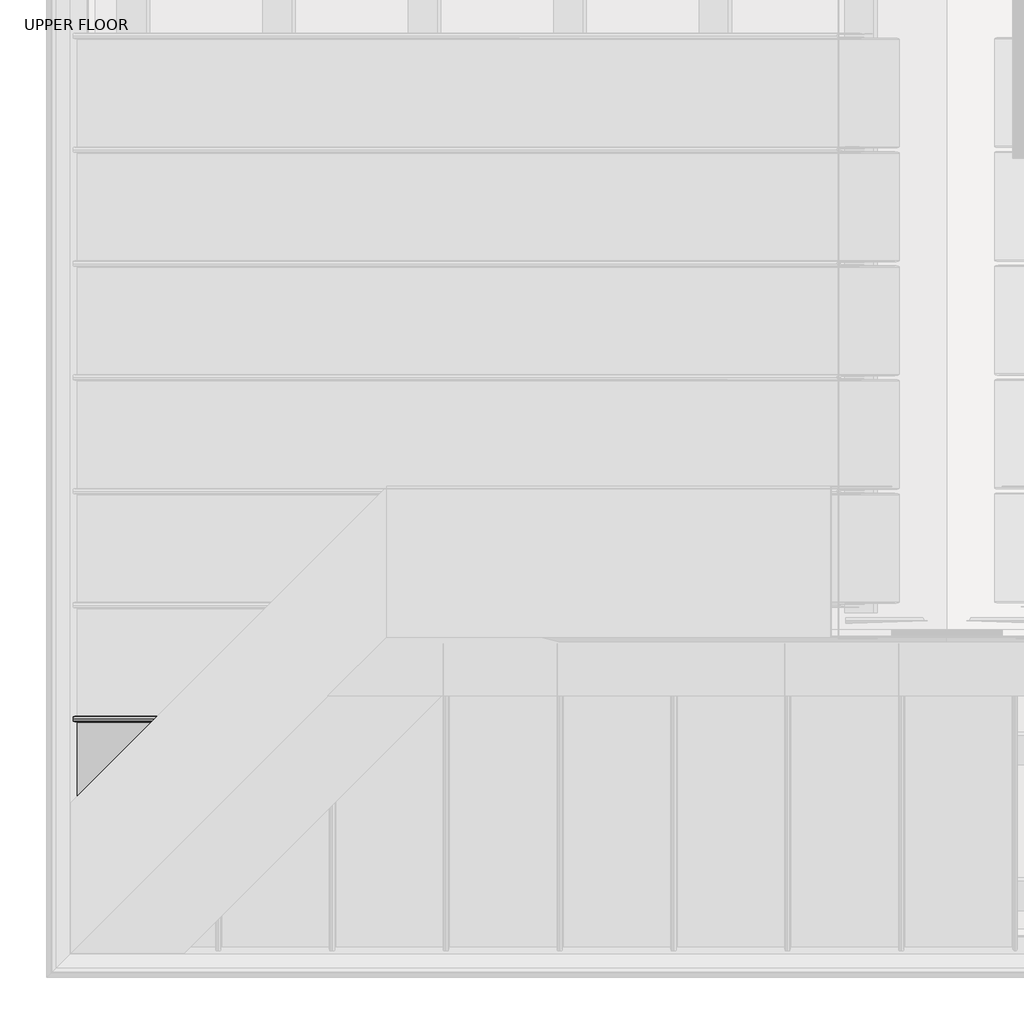
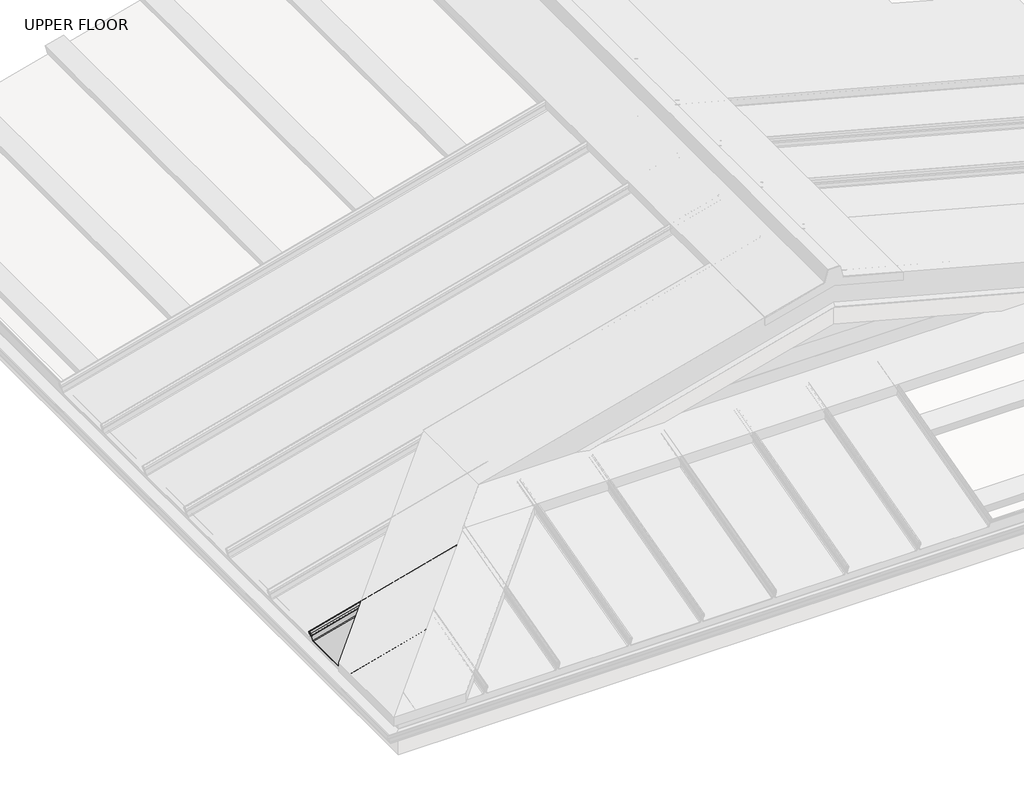
# One storey, part 3 of 15: 1 beam.
"""IFC4 building model written with IfcOpenShell, lengths in millimetres."""

from ifc_helpers import new_model, si_unit, frame, origin, place, context, project, spatial, polyline, circle_curve, ellipse_curve, element, save
from ifc_brep_helpers import plane_surface, cylinder_surface, revolved_surface, advanced_brep

model = new_model("IFC4")

# Units and contexts
model_context = context("Model", 3, world=origin())
ifc_project = project(units=[si_unit("LENGTHUNIT", "METRE", prefix="MILLI")], contexts=[model_context])

# Site, building, storey
site = spatial("IfcSite", under=ifc_project)
building = spatial("IfcBuilding", under=site)
storey = spatial("IfcBuildingStorey", under=building, Name="UPPER FLOOR", Elevation=2700.0)

# Beam
placement = place(None, origin())
element("IfcBeam", 1, at=placement, inside=storey, context=model_context, shape_type="AdvancedBrep", body=[
    advanced_brep(
    [(-607.9827003, -4329.5458802, 3283.1110853), (-608.959892, -4325.0118549, 3286.7580143), (-608.0179657, -4320.5050404, 3283.2426974), (-605.0780565, -4318.0580409, 3272.2708068), (-604.4428112, -4319.7167003, 3269.9000391), (-603.9999614, -4320.8858651, 3268.2473012), (-597.9410875, -4319.3953435, 3245.635276), (-597.0443074, -4315.7008918, 3242.288447), (-597.0443074, -3995.451939, 3242.288447), (-597.9421314, -3991.7591616, 3245.6391719), (-604.0202378, -3990.2896584, 3268.3229737), (-604.2618241, -3990.917586, 3269.2245862), (-605.0553094, -3993.1292239, 3272.1859135), (-607.9480012, -3992.2456851, 3282.9815864), (-609.6770884, -3985.0160332, 3289.4346277), (-607.9480012, -3977.7863812, 3282.9815864), (-605.0553094, -3976.9028424, 3272.1859135), (-604.2618241, -3979.1144803, 3269.2245862), (-604.0202378, -3979.7424079, 3268.3229737), (-602.4000425, -3979.3506935, 3262.2763228), (-602.4000425, -3980.3526494, 3262.2763228), (-604.0851521, -3980.7600582, 3268.5652372), (-604.5130996, -3979.3546422, 3270.1623589), (-605.0349125, -3977.9002216, 3272.1097914), (-607.9477448, -3978.789912, 3282.9806296), (-609.4182694, -3985.0160332, 3288.4687019), (-607.9272965, -3991.2488892, 3282.9043154), (-605.0142361, -3992.1364879, 3272.0326261), (-604.5130996, -3990.6774241, 3270.1623589), (-604.0851521, -3989.2720082, 3268.5652372), (-597.9259675, -3990.7611137, 3245.5788475), (-596.7854883, -3995.451939, 3241.3225212), (-596.7854883, -4315.7006467, 3241.3225212), (-597.9246415, -4320.3933226, 3245.5738987), (-603.9843809, -4321.8840571, 3268.189154), (-604.6926683, -4319.9804763, 3270.8325187), (-605.0334166, -4319.043833, 3272.1042086), (-607.9333114, -4321.4595181, 3282.9267634), (-608.7013281, -4325.0223638, 3285.7930406), (-608.029514, -4328.496358, 3283.2857963), (-605.1545545, -4330.5236089, 3272.5563014), (-605.2021914, -4331.5234688, 3272.7340846), (-263.3751214, -4331.5234688, 3364.326372), (-261.3975328, -4329.5458802, 3375.978301), (-262.3752614, -4330.5236089, 3364.4037361), (-260.3480106, -4328.496358, 3376.4467744), (-256.8740164, -4325.0223638, 3380.0648847), (-253.3111707, -4321.4595181, 3377.9474796), (-250.8954856, -4319.043833, 3366.9951812), (-251.8321289, -4319.9804763, 3365.3812153), (-253.7357097, -4321.8840571, 3362.0380026), (-252.2449752, -4320.3933226, 3338.1984862), (-247.5522993, -4315.7006467, 3334.8992722), (72.6964084, -3995.451939, 3420.7096548), (77.3872337, -3990.7611137, 3426.5284744), (78.8763392, -3989.2720082, 3451.5642172), (77.4709233, -3990.6774241, 3452.8994271), (76.0118595, -3992.1364879, 3454.5130185), (76.8994582, -3991.2488892, 3466.4030913), (83.1323143, -3985.0160332, 3474.0370715), (89.3584354, -3978.789912, 3469.8232574), (90.2481258, -3977.9002216, 3458.41032), (88.7937052, -3979.3546422, 3455.9333574), (87.3882893, -3980.7600582, 3453.8449874), (87.7956981, -3980.3526494, 3447.2137141), (88.7976539, -3979.3506935, 3447.4821874), (88.4059395, -3979.7424079, 3453.8580087), (89.0338671, -3979.1144803, 3454.9926068), (91.2454821, -3976.9017133, 3458.7592398), (90.3619662, -3977.7863812, 3470.0931783), (83.1323143, -3985.0160332, 3475.0723477), (75.9026623, -3992.2456851, 3466.2188194), (75.0191235, -3993.1292239, 3454.4113086), (77.2307614, -3990.917586, 3451.8299741), (77.858689, -3990.2896584, 3451.0318815), (76.3891858, -3991.7591616, 3426.3257038), (72.6964084, -3995.451939, 3421.7449309), (-247.5525444, -4315.7008918, 3335.9344827), (-251.2469961, -4319.3953435, 3338.5316779), (-252.7375177, -4320.8858651, 3362.3677893), (-251.5683528, -4319.7167003, 3364.4524652), (-249.9096935, -4318.0580409, 3367.4378829), (-252.3566929, -4320.5050404, 3378.5418482), (-256.8635074, -4325.0118549, 3381.1019562)],
    [
        (0, 1, circle_curve(frame((-607.7666833, -4325.0118549, 3282.3048986), z_axis=(-0.9659258262890683, 0.0, -0.2588190451025208), x_axis=(0.0, -1.0, 0.0)), 4.6102046)),
        (1, 2, circle_curve(frame((-607.7666833, -4325.0118549, 3282.3048986), z_axis=(-0.9659258262890683, 0.0, -0.2588190451025208), x_axis=(-0.25301467748856765, -0.21059384440200749, 0.9442636314479866)), 4.6102046)),
        (2, 3),
        (3, 4, circle_curve(frame((-605.0323908, -4320.4422333, 3272.1003803), z_axis=(-0.9659258262890683, 0.0, -0.2588190451025208), x_axis=(-0.07854637762029207, 0.9528378408797886, 0.2931390720294263)), 2.3907121)),
        (4, 5, circle_curve(frame((-604.0276476, -4319.2058026, 3268.3506277), z_axis=(0.9659258262890683, 0.0, 0.2588190451025208), x_axis=(-0.2582960069428539, -0.06354246328301995, 0.9639738213028937)), 1.6834645)),
        (5, 6),
        (6, 7, circle_curve(frame((-598.0019377, -4315.7028207, 3245.8623721), z_axis=(0.9659258262890683, 0.0, 0.2588190451025208), x_axis=(0.00013492947898731834, -0.9999998641088232, -0.0005035636710250431)), 3.7)),
        (7, 8),
        (8, 9, circle_curve(frame((-598.0019378, -3995.451939, 3245.8623726), z_axis=(0.9659258262890683, 0.0, 0.2588190451025208), x_axis=(0.25831381397014586, -0.06245250868722404, -0.9640402780334799)), 3.7)),
        (9, 10),
        (10, 11, circle_curve(frame((-604.0351695, -3991.2116283, 3268.3786998), z_axis=(0.9659258262890683, 0.0, 0.2588190451025208), x_axis=(0.08238356974987254, 0.9479881328261023, -0.3074596680154134)), 0.9237732)),
        (11, 12, circle_curve(frame((-604.9957354, -3990.2175637, 3271.9635804), z_axis=(-0.9659258262890683, 0.0, -0.2588190451025208), x_axis=(0.25801408229683115, -0.0788073724391675, -0.9629216642000317)), 2.9207441)),
        (12, 13),
        (13, 14, circle_curve(frame((-607.800079, -3985.0160332, 3282.4295333), z_axis=(-0.9659258262890683, 0.0, -0.2588190451025208), x_axis=(0.0, -1.0, 0.0)), 7.2522073)),
        (14, 15, circle_curve(frame((-607.800079, -3985.0160332, 3282.4295333), z_axis=(-0.9659258262890683, 0.0, -0.2588190451025208), x_axis=(-0.2580140822968322, -0.07880737243912342, 0.9629216642000349)), 7.2522073)),
        (15, 16),
        (16, 17, circle_curve(frame((-604.9962803, -3979.8159242, 3271.9656139), z_axis=(-0.9659258262890683, 0.0, -0.2588190451025208), x_axis=(-0.06210709865035918, 0.9707819351134731, 0.2317868476738383)), 2.9231288)),
        (17, 18, circle_curve(frame((-604.0513703, -3978.913486, 3268.439162), z_axis=(0.9659258262890683, 0.0, 0.2588190451025208), x_axis=(-0.2561362791038893, -0.14360843272178095, 0.9559136072773566)), 0.8376041)),
        (18, 19),
        (19, 20, circle_curve(frame((-602.4000425, -3979.8516714, 3262.2763228), z_axis=(-0.9659258262890683, 0.0, -0.2588190451025208), x_axis=(0.2588190451025208, 0.0, -0.9659258262890683)), 0.5009779)),
        (20, 21),
        (21, 22, circle_curve(frame((-604.0466612, -3978.909742, 3268.4215873), z_axis=(-0.9659258262890683, 0.0, -0.2588190451025208), x_axis=(0.06203183227187732, -0.9708537722163968, -0.2315059497252423)), 1.856283)),
        (22, 23, circle_curve(frame((-604.9957354, -3979.8149919, 3271.9635804), z_axis=(0.9659258262890683, 0.0, 0.2588190451025208), x_axis=(0.2580140822968318, 0.07880737243914293, -0.9629216642000334)), 1.9207441)),
        (23, 24),
        (24, 25, circle_curve(frame((-607.8219318, -3984.9389837, 3282.5110891), z_axis=(0.9659258262890683, 0.0, 0.2588190451025208), x_axis=(-0.0032329827436446803, 0.9999219808421378, 0.012065655859280947)), 6.1682558)),
        (25, 26, circle_curve(frame((-607.7779076, -3984.9368588, 3282.3467883), z_axis=(0.9659258262890683, 0.0, 0.2588190451025208), x_axis=(-0.2577436720076962, 0.09106361391821939, 0.961912479262091)), 6.3383658)),
        (26, 27),
        (27, 28, circle_curve(frame((-604.9770182, -3990.3130432, 3271.8937269), z_axis=(0.9659258262890683, 0.0, 0.2588190451025208), x_axis=(-0.051560014090151415, -0.9799562955839812, 0.1924245922234068)), 1.8291061)),
        (28, 29, circle_curve(frame((-604.0675486, -3991.0273784, 3268.4995399), z_axis=(-0.9659258262890683, 0.0, -0.2588190451025208), x_axis=(-0.25862498033881764, -0.03871763325448552, 0.965201566730969)), 1.7566874)),
        (29, 30),
        (30, 31, circle_curve(frame((-598.0019378, -3995.451939, 3245.8623726), z_axis=(-0.9659258262890683, 0.0, -0.2588190451025208), x_axis=(0.0, 1.0, 0.0)), 4.7)),
        (31, 32),
        (32, 33, circle_curve(frame((-598.0025376, -4315.7006467, 3245.864611), z_axis=(-0.9659258262890683, 0.0, -0.2588190451025208), x_axis=(0.25828837214431377, 0.06400407594283056, -0.9639453278468364)), 4.7023174)),
        (33, 34),
        (34, 35, circle_curve(frame((-604.0284484, -4319.2099453, 3268.3536162), z_axis=(-0.9659258262890683, 0.0, -0.2588190451025208), x_axis=(0.07442661250521225, -0.9577619201002138, -0.27776389930469864)), 2.6795268)),
        (35, 36, circle_curve(frame((-604.973737, -4320.1133191, 3271.8814814), z_axis=(0.9659258262890683, 0.0, 0.2588190451025208), x_axis=(0.2530054175637727, 0.2107598550523572, -0.9442290729381777)), 1.094061)),
        (36, 37),
        (37, 38, circle_curve(frame((-607.7637328, -4325.0223638, 3282.2938874), z_axis=(0.9659258262890683, 0.0, 0.2588190451025208), x_axis=(0.0, 1.0, 0.0)), 3.6225901)),
        (38, 39, circle_curve(frame((-607.7637328, -4325.0223638, 3282.2938874), z_axis=(0.9659258262890683, 0.0, 0.2588190451025208), x_axis=(-0.24820248683930785, 0.28347113639574906, 0.926304291449244)), 3.6225901)),
        (39, 40),
        (40, 41, circle_curve(frame((-605.1783729, -4331.0235388, 3272.645193), z_axis=(-0.9659258262890683, 0.0, -0.2588190451025208), x_axis=(0.25454230822568874, -0.18103878268247436, -0.9499648269741287)), 0.5083296)),
        (41, 0),
        (41, 42),
        (42, 43),
        (43, 0),
        (40, 44),
        (44, 42, ellipse_curve(frame((-262.8751914, -4331.0235388, 3364.365054), z_axis=(-0.7071067811865475, 0.7071067811865476, 0.0), x_axis=(0.661224832946645, 0.6612248329466449, 0.3543493200069151)), 0.7442462, 0.5083296)),
        (39, 45),
        (45, 44),
        (38, 46),
        (46, 45, ellipse_curve(frame((-256.8740164, -4325.0223638, 3376.3145035), z_axis=(0.7071067811865475, -0.7071067811865476, 0.0), x_axis=(0.661224832946645, 0.6612248329466449, 0.3543493200069151)), 5.3038399, 3.6225901)),
        (37, 47),
        (47, 46, ellipse_curve(frame((-256.8740164, -4325.0223638, 3376.3145035), z_axis=(0.7071067811865475, -0.7071067811865476, 0.0), x_axis=(0.661224832946645, 0.6612248329466449, 0.3543493200069151)), 5.3038399, 3.6225901)),
        (36, 48),
        (48, 47),
        (35, 49),
        (49, 48, ellipse_curve(frame((-251.9649717, -4320.1133191, 3366.469895), z_axis=(0.7071067811865475, -0.7071067811865476, 0.0), x_axis=(0.661224832946645, 0.6612248329466449, 0.3543493200069151)), 1.6018165, 1.094061)),
        (34, 50),
        (50, 49, ellipse_curve(frame((-251.0615979, -4319.2099453, 3362.9307987), z_axis=(-0.7071067811865475, 0.7071067811865476, 0.0), x_axis=(0.661224832946645, 0.6612248329466449, 0.3543493200069151)), 3.9230995, 2.6795268)),
        (33, 51),
        (51, 50),
        (32, 52),
        (52, 51, ellipse_curve(frame((-247.5522993, -4315.7006467, 3339.7674694), z_axis=(-0.7071067811865475, 0.7071067811865476, 0.0), x_axis=(0.661224832946645, 0.6612248329466449, 0.3543493200069151)), 6.8846705, 4.7023174)),
        (31, 53),
        (53, 52),
        (30, 54),
        (54, 53, ellipse_curve(frame((72.6964084, -3995.451939, 3425.5754528), z_axis=(-0.7071067811865475, 0.7071067811865476, 0.0), x_axis=(0.661224832946645, 0.6612248329466449, 0.3543493200069151)), 6.8812776, 4.7)),
        (29, 55),
        (55, 54),
        (28, 56),
        (56, 55, ellipse_curve(frame((77.120969, -3991.0273784, 3451.0234531), z_axis=(-0.7071067811865475, 0.7071067811865476, 0.0), x_axis=(0.661224832946645, 0.6612248329466449, 0.3543493200069151)), 2.5719689, 1.7566874)),
        (27, 57),
        (57, 56, ellipse_curve(frame((77.8353043, -3990.3130432, 3454.8527373), z_axis=(0.7071067811865475, -0.7071067811865476, 0.0), x_axis=(0.661224832946645, 0.6612248329466449, 0.3543493200069151)), 2.6779972, 1.8291061)),
        (26, 58),
        (58, 57),
        (25, 59),
        (59, 58, ellipse_curve(frame((83.2114886, -3984.9368588, 3467.496839), z_axis=(0.7071067811865475, -0.7071067811865476, 0.0), x_axis=(0.661224832946645, 0.6612248329466449, 0.3543493200069151)), 9.2800116, 6.3383658)),
        (24, 60),
        (60, 59, ellipse_curve(frame((83.2093637, -3984.9389837, 3467.6723667), z_axis=(0.7071067811865475, -0.7071067811865476, 0.0), x_axis=(0.661224832946645, 0.6612248329466449, 0.3543493200069151)), 9.0309533, 6.1682558)),
        (23, 61),
        (61, 60),
        (22, 62),
        (62, 61, ellipse_curve(frame((88.3333555, -3979.8149919, 3457.7405504), z_axis=(0.7071067811865475, -0.7071067811865476, 0.0), x_axis=(0.661224832946645, 0.6612248329466449, 0.3543493200069151)), 2.8121646, 1.9207441)),
        (21, 63),
        (63, 62, ellipse_curve(frame((89.2386054, -3978.909742, 3454.1868146), z_axis=(-0.7071067811865475, 0.7071067811865476, 0.0), x_axis=(0.661224832946645, 0.6612248329466449, 0.3543493200069151)), 2.7177869, 1.856283)),
        (20, 64),
        (64, 63),
        (19, 65),
        (65, 64, ellipse_curve(frame((88.296676, -3979.8516714, 3447.3479507), z_axis=(-0.7071067811865475, 0.7071067811865476, 0.0), x_axis=(0.661224832946645, 0.6612248329466449, 0.3543493200069151)), 0.7334826, 0.5009779)),
        (18, 66),
        (66, 65),
        (17, 67),
        (67, 66, ellipse_curve(frame((89.2348615, -3978.913486, 3454.204648), z_axis=(0.7071067811865475, -0.7071067811865476, 0.0), x_axis=(0.661224832946645, 0.6612248329466449, 0.3543493200069151)), 1.2263375, 0.8376041)),
        (16, 68),
        (68, 67, ellipse_curve(frame((88.3324232, -3979.8159242, 3457.74248), z_axis=(-0.7071067811865475, 0.7071067811865476, 0.0), x_axis=(0.661224832946645, 0.6612248329466449, 0.3543493200069151)), 4.2797576, 2.9231288)),
        (15, 69),
        (69, 68),
        (14, 70),
        (70, 69, ellipse_curve(frame((83.1323143, -3985.0160332, 3467.5643101), z_axis=(-0.7071067811865475, 0.7071067811865476, 0.0), x_axis=(0.661224832946645, 0.6612248329466449, 0.3543493200069151)), 10.6179685, 7.2522073)),
        (13, 71),
        (71, 70, ellipse_curve(frame((83.1323143, -3985.0160332, 3467.5643101), z_axis=(-0.7071067811865475, 0.7071067811865476, 0.0), x_axis=(0.661224832946645, 0.6612248329466449, 0.3543493200069151)), 10.6179685, 7.2522073)),
        (12, 72),
        (72, 71),
        (11, 73),
        (73, 72, ellipse_curve(frame((77.9307837, -3990.2175637, 3454.9531896), z_axis=(-0.7071067811865475, 0.7071067811865476, 0.0), x_axis=(0.661224832946645, 0.6612248329466449, 0.3543493200069151)), 4.2762662, 2.9207441)),
        (10, 74),
        (74, 73, ellipse_curve(frame((76.9367191, -3991.2116283, 3450.8445675), z_axis=(0.7071067811865475, -0.7071067811865476, 0.0), x_axis=(0.661224832946645, 0.6612248329466449, 0.3543493200069151)), 1.3524978, 0.9237732)),
        (9, 75),
        (75, 74),
        (8, 76),
        (76, 75, ellipse_curve(frame((72.6964084, -3995.451939, 3425.5754528), z_axis=(0.7071067811865475, -0.7071067811865476, 0.0), x_axis=(0.661224832946645, 0.6612248329466449, 0.3543493200069151)), 5.417176, 3.7)),
        (7, 77),
        (77, 76),
        (6, 78),
        (78, 77, ellipse_curve(frame((-247.5544733, -4315.7028207, 3339.7644872), z_axis=(0.7071067811865475, -0.7071067811865476, 0.0), x_axis=(0.661224832946645, 0.6612248329466449, 0.3543493200069151)), 5.417176, 3.7)),
        (5, 79),
        (79, 78),
        (4, 80),
        (80, 79, ellipse_curve(frame((-251.0574552, -4319.2058026, 3362.9287057), z_axis=(0.7071067811865475, -0.7071067811865476, 0.0), x_axis=(0.661224832946645, 0.6612248329466449, 0.3543493200069151)), 2.4647631, 1.6834645)),
        (3, 81),
        (81, 80, ellipse_curve(frame((-252.2938859, -4320.4422333, 3366.6163779), z_axis=(-0.7071067811865475, 0.7071067811865476, 0.0), x_axis=(0.661224832946645, 0.6612248329466449, 0.3543493200069151)), 3.5002454, 2.3907121)),
        (2, 82),
        (82, 81),
        (1, 83),
        (83, 82, ellipse_curve(frame((-256.8635074, -4325.0118549, 3376.3291212), z_axis=(-0.7071067811865475, 0.7071067811865476, 0.0), x_axis=(0.661224832946645, 0.6612248329466449, 0.3543493200069151)), 6.749808, 4.6102046)),
        (43, 83, ellipse_curve(frame((-256.8635074, -4325.0118549, 3376.3291212), z_axis=(-0.7071067811865475, 0.7071067811865476, 0.0), x_axis=(0.661224832946645, 0.6612248329466449, 0.3543493200069151)), 6.749808, 4.6102046)),
    ],
    [
        plane_surface(frame((-605.2021914, -4331.5234688, 3272.7340846), z_axis=(-0.9659258262890685, 0.0, -0.25881904510252085), x_axis=(-0.2545423082256881, 0.18103878268248907, 0.9499648269741262))),
        plane_surface(frame((-606.5924458, -4330.5346745, 3277.9225849), z_axis=(-0.04685628486027202, -0.9834759575937931, 0.17487003575245552), x_axis=(0.2545423082257127, -0.18103878268197682, -0.9499648269742172))),
        cylinder_surface(frame((-605.1783729, -4331.0235388, 3272.645193), z_axis=(0.9659258262890683, 0.0, 0.2588190451025208), x_axis=(0.25454230822568874, -0.18103878268247436, -0.9499648269741287)), 0.5083296),
        plane_surface(frame((-606.5920342, -4329.5099834, 3277.9210488), z_axis=(0.04646793749460009, 0.9837509798366516, -0.17342070365278237), x_axis=(-0.25461348921999133, 0.17953832368168146, 0.9502304780613982))),
        revolved_surface(polyline([(-254.03119512245888, -4323.995464067657, 3380.6727786937868), (-608.6628686957539, -4323.995464067657, 3285.649508149325)]), (-607.7637328, -4325.0223638, 3282.2938874), (0.9659258262890683, 0.0, 0.2588190451025208)),
        revolved_surface(polyline([(-253.1320592508394, -4321.3997737, 3377.317157937995), (-607.7637328241344, -4321.3997737, 3282.293887393533)]), (-607.7637328, -4325.0223638, 3282.2938874), (0.9659258262890683, 0.0, 0.2588190451025208)),
        plane_surface(frame((-606.483364, -4320.2516756, 3277.515486), z_axis=(0.05454866443071822, -0.9775378680634894, -0.2035783871404656), x_axis=(0.2530054175637463, 0.2107598550528264, -0.9442290729380801))),
        revolved_surface(polyline([(-250.55805716459793, -4319.882734962222, 3365.7396631562424), (-604.6969336646987, -4319.882734962222, 3270.848437189575)]), (-604.973737, -4320.1133191, 3271.8814814), (0.9659258262890683, 0.0, 0.2588190451025208)),
        cylinder_surface(frame((-604.0284484, -4319.2099453, 3268.3536162), z_axis=(0.9659258262890683, 0.0, 0.2588190451025208), x_axis=(0.07442661250521225, -0.9577619201002138, -0.27776389930469864)), 2.6795268),
        plane_surface(frame((-600.9545112, -4321.1386899, 3256.8815264), z_axis=(0.016445999670455926, -0.9979791357337515, -0.06137730635140253), x_axis=(0.25829600694284854, 0.06354246328333954, -0.9639738213028741))),
        cylinder_surface(frame((-598.0025376, -4315.7006467, 3245.864611), z_axis=(0.9659258262890683, 0.0, 0.2588190451025208), x_axis=(0.25828837214431377, 0.06400407594283056, -0.9639453278468364)), 4.7023174),
        plane_surface(frame((-596.7854883, -4155.5762928, 3241.3225212), z_axis=(0.2588190451025208, 0.0, -0.9659258262890683), x_axis=(0.0, 1.0, 0.0))),
        cylinder_surface(frame((-598.0019378, -3995.451939, 3245.8623726), z_axis=(0.9659258262890683, 0.0, 0.2588190451025208), x_axis=(0.0, 1.0, 0.0)), 4.7),
        plane_surface(frame((-601.0055598, -3990.0165609, 3257.0720423), z_axis=(0.016163898662749112, 0.9980479368039599, -0.06032449105777431), x_axis=(-0.25831381397014186, 0.062452508687474796, 0.9640402780334647))),
        cylinder_surface(frame((-604.0675486, -3991.0273784, 3268.4995399), z_axis=(0.9659258262890683, 0.0, 0.2588190451025208), x_axis=(-0.25862498033881764, -0.03871763325448552, 0.965201566730969)), 1.7566874),
        revolved_surface(polyline([(79.6303721267899, -3992.105487237986, 3455.7109592155953), (-605.0713269898442, -3992.105487237986, 3272.2456918810753)]), (-604.9770182, -3990.3130432, 3271.8937269), (0.9659258262890683, 0.0, 0.2588190451025208)),
        plane_surface(frame((-606.4707663, -3991.6926886, 3277.4684707), z_axis=(0.020347608814056426, 0.9969048840807634, -0.07593830990659489), x_axis=(-0.25801797015582234, 0.07861712342689672, 0.9629361738873191))),
        revolved_surface(polyline([(88.12503477158282, -3984.3596643039164, 3475.348114422188), (-609.41158127582, -3984.3596643039164, 3288.443741461148)]), (-607.7779076, -3984.9368588, 3282.3467883), (0.9659258262890683, 0.0, 0.2588190451025208)),
        revolved_surface(polyline([(89.56092644922603, -3978.771209142123, 3469.454030241427), (-607.841873721868, -3978.771209142123, 3282.585513136379)]), (-607.8219318, -3984.9389837, 3282.5110891), (0.9659258262890683, 0.0, 0.2588190451025208)),
        plane_surface(frame((-606.4913287, -3978.3450668, 3277.5452105), z_axis=(0.020396848881865645, -0.9968898625470923, -0.07612207634142702), x_axis=(0.2580140822968216, 0.07880737243963731, -0.9629216641999958))),
        revolved_surface(polyline([(90.8129686719468, -3979.6636231043512, 3456.42264463747), (-604.5001564169236, -3979.6636231043512, 3270.1140542831467)]), (-604.9957354, -3979.8149919, 3271.9635804), (0.9659258262890683, 0.0, 0.2588190451025208)),
        cylinder_surface(frame((-604.0466612, -3978.909742, 3268.4215873), z_axis=(0.9659258262890683, 0.0, 0.2588190451025208), x_axis=(0.06203183227187732, -0.9708537722163968, -0.2315059497252423)), 1.856283),
        plane_surface(frame((-603.2425973, -3980.5563538, 3265.42078), z_axis=(0.016163898662904116, -0.9980479368039223, -0.060324491058352796), x_axis=(0.2583138139701322, 0.06245250868807369, -0.9640402780334285))),
        cylinder_surface(frame((-602.4000425, -3979.8516714, 3262.2763228), z_axis=(0.9659258262890683, 0.0, 0.2588190451025208), x_axis=(0.2588190451025208, 0.0, -0.9659258262890683)), 0.5009779),
        plane_surface(frame((-603.2101402, -3979.5465507, 3265.2996482), z_axis=(-0.0161638986624347, 0.9980479368040358, 0.06032449105660091), x_axis=(-0.25831381397016157, -0.062452508686260004, 0.9640402780335381))),
        revolved_surface(polyline([(89.88552450983389, -3979.0337730120423, 3455.2371557526008), (-604.2659111545945, -3979.0337730120423, 3269.2398391414126)]), (-604.0513703, -3978.913486, 3268.439162), (0.9659258262890683, 0.0, 0.2588190451025208)),
        cylinder_surface(frame((-604.9962803, -3979.8159242, 3271.9656139), z_axis=(0.9659258262890683, 0.0, 0.2588190451025208), x_axis=(-0.06210709865035918, 0.9707819351134731, 0.2317868476738383)), 2.9231288),
        plane_surface(frame((-606.5016553, -3977.3446118, 3277.5837499), z_axis=(-0.02039684888159945, 0.9968898625471735, 0.07612207634043357), x_axis=(-0.2580140822968426, -0.07880737243860882, 0.9629216642000742))),
        cylinder_surface(frame((-607.800079, -3985.0160332, 3282.4295333), z_axis=(0.9659258262890683, 0.0, 0.2588190451025208), x_axis=(-0.2580140822968322, -0.07880737243912342, 0.9629216642000349)), 7.2522073),
        cylinder_surface(frame((-607.800079, -3985.0160332, 3282.4295333), z_axis=(0.9659258262890683, 0.0, 0.2588190451025208), x_axis=(0.0, -1.0, 0.0)), 7.2522073),
        plane_surface(frame((-606.5016553, -3992.6874545, 3277.5837499), z_axis=(-0.020396848881607314, -0.9968898625471712, 0.07612207634046292), x_axis=(0.25801408229684203, -0.0788073724386392, -0.962921664200072))),
        cylinder_surface(frame((-604.9957354, -3990.2175637, 3271.9635804), z_axis=(0.9659258262890683, 0.0, 0.2588190451025208), x_axis=(0.25801408229683115, -0.0788073724391675, -0.9629216642000317)), 2.9207441),
        revolved_surface(polyline([(77.96703507052189, -3990.3359022689774, 3450.816224815496), (-603.959065825384, -3990.3359022689774, 3268.0946767827336)]), (-604.0351695, -3991.2116283, 3268.3786998), (0.9659258262890683, 0.0, 0.2588190451025208)),
        plane_surface(frame((-600.9811846, -3991.02441, 3256.9810728), z_axis=(-0.016163898662622165, -0.9980479368039904, 0.06032449105730055), x_axis=(0.2583138139701498, -0.06245250868698432, -0.9640402780334942))),
        revolved_surface(polyline([(77.47408737903197, -3995.683013282143, 3423.0325836065485), (-597.0461767613924, -3995.683013282143, 3242.295423551694)]), (-598.0019378, -3995.451939, 3245.8623726), (0.9659258262890683, 0.0, 0.2588190451025208)),
        plane_surface(frame((-597.0443074, -4155.5764154, 3242.288447), z_axis=(-0.2588190451025208, 0.0, 0.9659258262890683), x_axis=(0.0, -1.0, 0.0))),
        revolved_surface(polyline([(-243.73205618016908, -4319.402820197203, 3340.786703799619), (-598.0014385023109, -4319.402820197203, 3245.8605089033285)]), (-598.0019377, -4315.7028207, 3245.8623721), (0.9659258262890683, 0.0, 0.2588190451025208)),
        plane_surface(frame((-600.9705244, -4320.1406043, 3256.9412886), z_axis=(-0.01644599967032797, 0.9979791357337828, 0.061377306350924976), x_axis=(-0.25829600694285665, -0.06354246328284514, 0.9639738213029044))),
        revolved_surface(polyline([(-249.75335139953108, -4319.31277408118, 3365.0174678987405), (-604.4624798203434, -4319.31277408118, 3269.9734433904364)]), (-604.0276476, -4319.2058026, 3268.3506277), (0.9659258262890683, 0.0, 0.2588190451025208)),
        cylinder_surface(frame((-605.0323908, -4320.4422333, 3272.1003803), z_axis=(0.9659258262890683, 0.0, 0.2588190451025208), x_axis=(-0.07854637762029207, 0.9528378408797886, 0.2931390720294263)), 2.3907121),
        plane_surface(frame((-606.5480111, -4319.2815406, 3277.7567521), z_axis=(-0.05450569771247189, 0.9775736456657298, 0.2034180331649358), x_axis=(-0.2530146774885942, -0.21059384440152634, 0.9442636314480869))),
        cylinder_surface(frame((-607.7666833, -4325.0118549, 3282.3048986), z_axis=(0.9659258262890683, 0.0, 0.2588190451025208), x_axis=(-0.25301467748856765, -0.21059384440200749, 0.9442636314479866)), 4.6102046),
        cylinder_surface(frame((-607.7666833, -4325.0118549, 3282.3048986), z_axis=(0.9659258262890683, 0.0, 0.2588190451025208), x_axis=(0.0, -1.0, 0.0)), 4.6102046),
        plane_surface(frame((1070.846548, -2997.3017994, 4221.1329824), z_axis=(0.7071067811865475, -0.7071067811865476, 0.0), x_axis=(0.0, 0.0, -1.0))),
    ],
    [
        (0, [[1, 2, 3, 4, 5, 6, 7, 8, 9, 10, 11, 12, 13, 14, 15, 16, 17, 18, 19, 20, 21, 22, 23, 24, 25, 26, 27, 28, 29, 30, 31, 32, 33, 34, 35, 36, 37, 38, 39, 40, 41, 42]]),
        (1, [[-42, 43, 44, 45]]),
        (2, [[-41, 46, 47, -43]]),
        (3, [[-40, 48, 49, -46]]),
        (4, [[-39, 50, 51, -48]]),
        (5, [[-38, 52, 53, -50]]),
        (6, [[-37, 54, 55, -52]]),
        (7, [[-36, 56, 57, -54]]),
        (8, [[-35, 58, 59, -56]]),
        (9, [[-34, 60, 61, -58]]),
        (10, [[-33, 62, 63, -60]]),
        (11, [[-32, 64, 65, -62]]),
        (12, [[-31, 66, 67, -64]]),
        (13, [[-30, 68, 69, -66]]),
        (14, [[-29, 70, 71, -68]]),
        (15, [[-28, 72, 73, -70]]),
        (16, [[-27, 74, 75, -72]]),
        (17, [[-26, 76, 77, -74]]),
        (18, [[-25, 78, 79, -76]]),
        (19, [[-24, 80, 81, -78]]),
        (20, [[-23, 82, 83, -80]]),
        (21, [[-22, 84, 85, -82]]),
        (22, [[-21, 86, 87, -84]]),
        (23, [[-20, 88, 89, -86]]),
        (24, [[-19, 90, 91, -88]]),
        (25, [[-18, 92, 93, -90]]),
        (26, [[-17, 94, 95, -92]]),
        (27, [[-16, 96, 97, -94]]),
        (28, [[-15, 98, 99, -96]]),
        (29, [[-14, 100, 101, -98]]),
        (30, [[-13, 102, 103, -100]]),
        (31, [[-12, 104, 105, -102]]),
        (32, [[-11, 106, 107, -104]]),
        (33, [[-10, 108, 109, -106]]),
        (34, [[-9, 110, 111, -108]]),
        (35, [[-8, 112, 113, -110]]),
        (36, [[-7, 114, 115, -112]]),
        (37, [[-6, 116, 117, -114]]),
        (38, [[-5, 118, 119, -116]]),
        (39, [[-4, 120, 121, -118]]),
        (40, [[-3, 122, 123, -120]]),
        (41, [[-2, 124, 125, -122]]),
        (42, [[-1, -45, 126, -124]]),
        (43, [[-44, -47, -49, -51, -53, -55, -57, -59, -61, -63, -65, -67, -69, -71, -73, -75, -77, -79, -81, -83, -85, -87, -89, -91, -93, -95, -97, -99, -101, -103, -105, -107, -109, -111, -113, -115, -117, -119, -121, -123, -125, -126]]),
    ],
),
])

save(model, "model.ifc")
